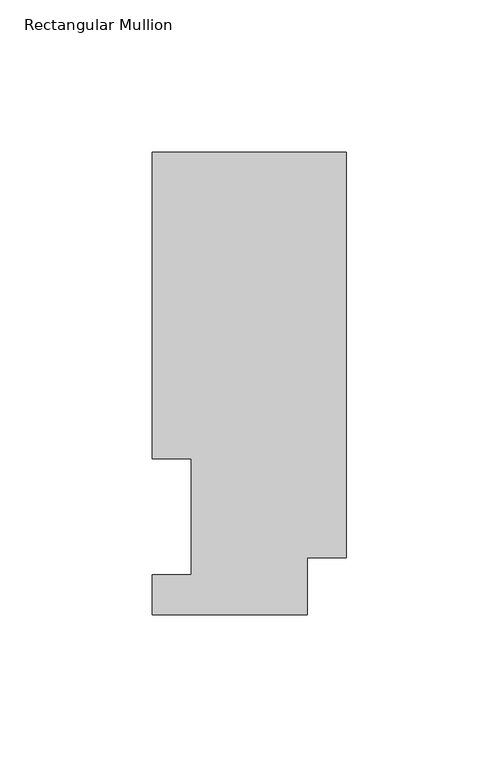
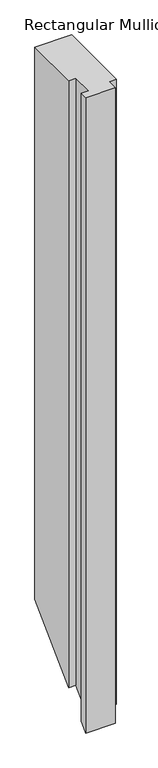
"""IFC4 building model written with IfcOpenShell, lengths in millimetres: member geometry, Rectangular Mullion."""

from ifc_helpers import new_model, si_unit, origin, place, context, project, spatial, faceted_brep, source, transform, mapped, element, save


def rectangular_mullion_0becadf9(model_context):
    return source(origin(), model_context, "Body", "Brep", [
        faceted_brep([(0.0, 151.7022937, 0.0), (-63.5, 151.7022937, 0.0), (-63.5, 51.2960938, 0.0), (-50.8, 51.2960938, 0.0), (-50.8, 13.1960938, 0.0), (-63.5, 13.1960938, 0.0), (-63.5, 0.0134937, 0.0), (-12.7, 0.0134937, 0.0), (-12.7, 18.7332937, 0.0), (0.0, 18.7332937, 0.0), (0.0, 151.7022937, -1004.0112), (-63.5, 151.7022937, -1004.0112), (-63.5, 51.2960938, -1104.4174), (-50.8, 51.2960938, -1104.4174), (-50.8, 13.1960938, -1142.5174), (-63.5, 13.1960938, -1142.5174), (-63.5, 0.0134937, -1155.7), (-12.7, 0.0134937, -1155.7), (-12.7, 18.7332937, -1136.9802), (0.0, 18.7332937, -1136.9802)], [[[0, 1, 2, 3, 4, 5, 6, 7, 8, 9]], [[1, 0, 10, 11]], [[2, 1, 11, 12]], [[3, 2, 12, 13]], [[4, 3, 13, 14]], [[5, 4, 14, 15]], [[6, 5, 15, 16]], [[7, 6, 16, 17]], [[8, 7, 17, 18]], [[9, 8, 18, 19]], [[0, 9, 19, 10]], [[10, 19, 18, 17, 16, 15, 14, 13, 12, 11]]]),
    ])


if __name__ == "__main__":
    model = new_model("IFC4")
    model_context = context("Model", 3, world=origin())
    ifc_project = project(units=[si_unit("LENGTHUNIT", "METRE", prefix="MILLI")], contexts=[model_context])
    site = spatial("IfcSite", under=ifc_project)
    building = spatial("IfcBuilding", under=site)
    placement = place(None, origin())
    rectangular_mullion_shape = rectangular_mullion_0becadf9(model_context)
    element("IfcMember", 1, ObjectType="Rectangular Mullion", at=placement, inside=building, context=model_context, shape_type="MappedRepresentation", body=[
        mapped(rectangular_mullion_shape, transform((0.0, 0.0, 0.0), x_axis=(1.0, 0.0, 0.0), y_axis=(0.0, 1.0, 0.0), z_axis=(0.0, 0.0, 1.0))),
    ])
    save(model, "model.ifc")
